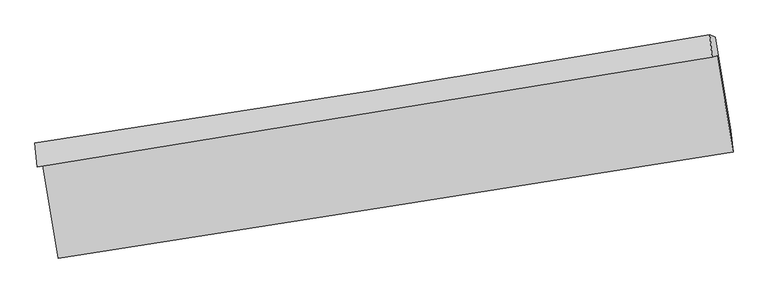
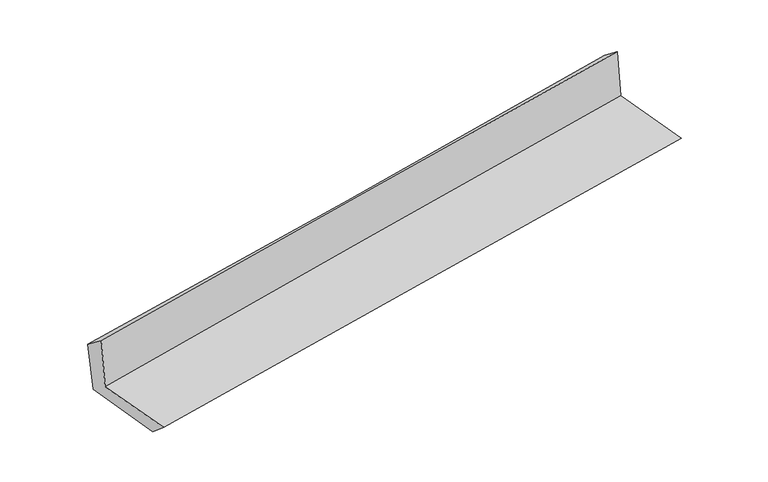
"""IFC4 building model written with IfcOpenShell, lengths in millimetres: proxy geometry."""

from ifc_helpers import new_model, si_unit, frame, origin, place, context, project, spatial, source, transform, mapped, element, save
from ifc_brep_helpers import plane_surface, spline_curve, spline_surface, advanced_brep


def generic_models_537dd5aa(model_context):
    return source(origin(), model_context, "Body", "AdvancedBrep", [
        advanced_brep(
        [(-2370.0911885, -1882.5004164, 1669.2333977), (-2261.0349548, -2527.323251, 1669.1721754), (2431.0419037, -1786.7399768, 2092.6379575), (2319.2297924, -1119.030918, 2099.9502465), (-2405.7219342, -1892.1003941, 2086.3205979), (2284.9930634, -1128.2867989, 2500.6804741), (-2422.897273, -1724.1474958, 1960.6107051), (2269.7549726, -972.6410478, 2381.1300377), (-2385.2673931, -1739.1686647, 1567.7591523), (2306.3996912, -987.794755, 1998.9444324), (-2272.7089664, -2397.0247952, 1553.1655248), (2416.0477665, -1638.6077198, 1984.3651864)],
        [
            (0, 1),
            (1, 2, spline_curve(3, [(-2261.0349548, -2527.323251, 1669.1721754), (-1479.019981205, -2405.229126548, 1742.224747964), (-696.995123493, -2282.465041589, 1814.040804519), (867.030497143, -2035.603875209, 1955.195926399), (1649.031259072, -1911.506868462, 2024.535130727), (2431.0419037, -1786.7399768, 2092.6379575)], [4, 2, 4], [0.0, 7.824650850706572, 15.64886283053934])),
            (2, 3),
            (3, 0, spline_curve(3, [(2319.2297924, -1119.030918, 2099.9502465), (1537.400412334, -1247.273234645, 2033.00371307), (755.719929146, -1375.015081, 1963.63845004), (-807.387081334, -1629.504969945, 1820.066438497), (-1588.813591743, -1756.252956322, 1745.859418408), (-2370.0911885, -1882.5004164, 1669.2333977)], [4, 2, 4], [0.0, 7.824211979832768, 15.64886283053934])),
            (4, 0),
            (3, 5),
            (5, 4, spline_curve(3, [(2284.9930634, -1128.2867989, 2500.6804741), (1503.115135206, -1256.547998354, 2434.329230363), (721.294215504, -1384.327959162, 2366.624624984), (-842.277456724, -1638.932544999, 2228.504818059), (-1624.028203083, -1765.757115703, 2158.089464734), (-2405.7219342, -1892.1003941, 2086.3205979)], [4, 2, 4], [0.0, 7.825476272361385, 15.651391486512491])),
            (6, 4),
            (5, 7),
            (7, 6, spline_curve(3, [(2269.7549726, -972.6410478, 2381.1300377), (1489.294424581, -1106.674409933, 2309.025340151), (708.02078652, -1236.31499511, 2237.930668214), (-856.196537247, -1486.817637213, 2097.757443841), (-1639.140314729, -1607.679201421, 2028.679005134), (-2422.897273, -1724.1474958, 1960.6107051)], [4, 2, 4], [0.0, 7.8258833997751225, 15.652205764176307])),
            (8, 6),
            (7, 9),
            (9, 8, spline_curve(3, [(2306.3996912, -987.794755, 1998.9444324), (1525.56928925, -1121.427280852, 1930.330574936), (744.192811332, -1250.856398082, 1860.092592819), (-819.69615565, -1501.314839802, 1716.364348536), (-1602.208705758, -1622.343692338, 1642.873903942), (-2385.2673931, -1739.1686647, 1567.7591523)], [4, 2, 4], [0.0, 7.826351662084415, 15.653142315060371])),
            (10, 8),
            (9, 11),
            (11, 10, spline_curve(3, [(2416.0477665, -1638.6077198, 1984.3651864), (1634.160658755, -1764.352399862, 1915.950683662), (852.498328683, -1890.424381361, 1845.811183329), (-710.420607396, -2143.23003635, 1702.078156292), (-1491.677188324, -2269.963746777, 1628.484436157), (-2272.7089664, -2397.0247952, 1553.1655248)], [4, 2, 4], [0.0, 7.824800638346363, 15.6500401805852])),
            (1, 10),
            (11, 2),
        ],
        [
            spline_surface(3, 3, [[(-2370.0911885, -1882.5004164, 1669.2333977), (-1588.813591621, -1756.252956423, 1745.85941851), (-807.387081256, -1629.504969948, 1820.066438487), (755.719929068, -1375.015080997, 1963.638450049), (1537.400412363, -1247.273234682, 2033.003713053), (2319.2297924, -1119.030918, 2099.9502465)], [(-2333.739110614, -2097.441361258, 1669.212990267), (-1552.215721483, -1972.578346416, 1744.647861656), (-770.589761988, -1847.158327206, 1818.057893811), (792.823451764, -1595.211345731, 1960.824275515), (1574.610694555, -1468.68444596, 2030.180852269), (2356.500496165, -1341.600604289, 2097.512816851)], [(-2297.387032686, -2312.382306142, 1669.192582833), (-1515.617851303, -2188.903736435, 1743.436304801), (-733.792442747, -2064.811684403, 1816.049349141), (829.926974433, -1815.407610403, 1958.010100988), (1611.820976753, -1690.095657172, 2027.357991434), (2393.771199935, -1564.170290511, 2095.075387149)], [(-2261.0349548, -2527.323251, 1669.1721754), (-1479.019981165, -2405.229126428, 1742.224747948), (-696.995123479, -2282.465041662, 1814.040804465), (867.030497129, -2035.603875136, 1955.195926453), (1649.031258945, -1911.50686845, 2024.535130651), (2431.0419037, -1786.7399768, 2092.6379575)]], [4, 4], [4, 2, 4], [0.0, 2.185376055104607], [0.0, 7.824650850706572, 15.64886283053934]),
            spline_surface(3, 3, [[(-2405.7219342, -1892.1003941, 2086.3205979), (-1624.028202983, -1765.757115685, 2158.089464616), (-842.277456734, -1638.932544953, 2228.504818076), (721.294215515, -1384.327959209, 2366.624624968), (1503.11513516, -1256.547998253, 2434.329230268), (2284.9930634, -1128.2867989, 2500.6804741)], [(-2393.845018956, -1888.90040152, 1947.291531171), (-1612.289999185, -1762.589062584, 2020.679449252), (-830.647331572, -1635.790019925, 2092.358691525), (732.769453369, -1381.223666446, 2232.295899973), (1514.543560905, -1253.456410399, 2300.554057857), (2296.405306411, -1125.20150527, 2367.103731561)], [(-2381.968103744, -1885.70040898, 1808.262464429), (-1600.551795419, -1759.421009524, 1883.269433874), (-819.017206418, -1632.647494975, 1956.212565038), (744.244691214, -1378.11937376, 2097.967175043), (1525.971986617, -1250.364822535, 2166.778885464), (2307.817549389, -1122.11621163, 2233.526989039)], [(-2370.0911885, -1882.5004164, 1669.2333977), (-1588.813591621, -1756.252956423, 1745.85941851), (-807.387081256, -1629.504969948, 1820.066438487), (755.719929068, -1375.015080997, 1963.638450049), (1537.400412363, -1247.273234682, 2033.003713053), (2319.2297924, -1119.030918, 2099.9502465)]], [4, 4], [4, 2, 4], [0.0, 1.3362791143235548], [0.0, 7.825915214151106, 15.651391486512491]),
            spline_surface(3, 3, [[(-2422.897273, -1724.1474958, 1960.6107051), (-1639.140314621, -1607.679201339, 2028.679005077), (-856.196537351, -1486.817637229, 2097.757443932), (708.020786625, -1236.314995094, 2237.930668123), (1489.294424569, -1106.674409859, 2309.025340108), (2269.7549726, -972.6410478, 2381.1300377)], [(-2417.172160082, -1780.131795249, 2002.514002713), (-1634.10294409, -1660.37183947, 2071.815824937), (-851.556843834, -1537.522606481, 2141.339902008), (712.445262899, -1285.652649809, 2280.828653765), (1493.901328077, -1156.632272644, 2350.793303481), (2274.834336178, -1024.522964821, 2420.980183153)], [(-2411.447047118, -1836.116094651, 2044.417300287), (-1629.065573513, -1713.064477554, 2114.952644757), (-846.917150251, -1588.227575701, 2184.92236), (716.86973924, -1334.990304494, 2323.726639325), (1498.508231652, -1206.590135467, 2392.561266895), (2279.913699822, -1076.404881879, 2460.830328647)], [(-2405.7219342, -1892.1003941, 2086.3205979), (-1624.028202983, -1765.757115685, 2158.089464616), (-842.277456734, -1638.932544953, 2228.504818076), (721.294215515, -1384.327959209, 2366.624624968), (1503.11513516, -1256.547998253, 2434.329230268), (2284.9930634, -1128.2867989, 2500.6804741)]], [4, 4], [4, 2, 4], [0.0, 0.6523143404985855], [0.0, 7.826322364401184, 15.652205764176307]),
            spline_surface(3, 3, [[(-2385.2673931, -1739.1686647, 1567.7591523), (-1602.20870576, -1622.343692241, 1642.87390386), (-819.69615558, -1501.314839674, 1716.364348424), (744.192811263, -1250.856398209, 1860.092592931), (1525.569289172, -1121.42728088, 1930.330575045), (2306.3996912, -987.794755, 1998.9444324)], [(-2397.810686377, -1734.161608388, 1698.709669907), (-1614.519242024, -1617.455528595, 1771.475604273), (-831.862949476, -1496.482438869, 1843.495380239), (732.135469745, -1246.009263847, 1986.038617973), (1513.477667648, -1116.509657202, 2056.562163409), (2294.184785011, -982.743519263, 2126.339634176)], [(-2410.353979723, -1729.154552112, 1829.660187493), (-1626.829778357, -1612.567364985, 1900.077304665), (-844.029743456, -1491.650038034, 1970.626412118), (720.078128143, -1241.162129456, 2111.98464308), (1501.386046093, -1111.592033536, 2182.793751744), (2281.969878789, -977.692283537, 2253.734835924)], [(-2422.897273, -1724.1474958, 1960.6107051), (-1639.140314621, -1607.679201339, 2028.679005077), (-856.196537351, -1486.817637229, 2097.757443932), (708.020786625, -1236.314995094, 2237.930668123), (1489.294424569, -1106.674409859, 2309.025340108), (2269.7549726, -972.6410478, 2381.1300377)]], [4, 4], [4, 2, 4], [0.0, 1.252057222471603], [0.0, 7.826790652975957, 15.653142315060371]),
            spline_surface(3, 3, [[(-2272.7089664, -2397.0247952, 1553.1655248), (-1491.677188395, -2269.963746795, 1628.484436122), (-710.420607454, -2143.230036388, 1702.078156316), (852.498328741, -1890.424381323, 1845.811183305), (1634.160658743, -1764.352399896, 1915.950683692), (2416.0477665, -1638.6077198, 1984.3651864)], [(-2310.228441962, -2177.739418375, 1558.030067272), (-1528.521027513, -2054.090395285, 1633.28092534), (-746.845790195, -1929.258304155, 1706.840220355), (816.39648955, -1677.235053624, 1850.571653183), (1597.96353555, -1550.044026881, 1920.743980816), (2379.498408064, -1421.670064856, 1989.224935073)], [(-2347.747917538, -1958.454041525, 1562.894609828), (-1565.364866643, -1838.21704375, 1638.077414642), (-783.27097284, -1715.286571907, 1711.602284385), (780.294650454, -1464.045725908, 1855.332123053), (1561.766412365, -1335.735653895, 1925.537277921), (2342.949049636, -1204.732409944, 1994.084683727)], [(-2385.2673931, -1739.1686647, 1567.7591523), (-1602.20870576, -1622.343692241, 1642.87390386), (-819.69615558, -1501.314839674, 1716.364348424), (744.192811263, -1250.856398209, 1860.092592931), (1525.569289172, -1121.42728088, 1930.330575045), (2306.3996912, -987.794755, 1998.9444324)]], [4, 4], [4, 2, 4], [0.0, 2.1327712437363076], [0.0, 7.825239542238838, 15.6500401805852]),
            spline_surface(3, 3, [[(-2261.0349548, -2527.323251, 1669.1721754), (-1479.019981165, -2405.229126428, 1742.224747948), (-696.995123479, -2282.465041662, 1814.040804465), (867.030497129, -2035.603875136, 1955.195926453), (1649.031258945, -1911.50686845, 2024.535130651), (2431.0419037, -1786.7399768, 2092.6379575)], [(-2264.926292009, -2483.89043241, 1630.503291869), (-1483.239050251, -2360.14066656, 1704.311310675), (-701.47028479, -2236.053373217, 1776.719921763), (862.186441014, -1987.210710512, 1918.734345418), (1644.074392215, -1862.455378933, 1988.340314984), (2426.043857971, -1737.362557801, 2056.547033786)], [(-2268.817629191, -2440.45761379, 1591.834408331), (-1487.45811931, -2315.052206663, 1666.397873395), (-705.945446143, -2189.641704832, 1739.399039018), (857.342384856, -1938.817545947, 1882.27276434), (1639.117525472, -1813.403889414, 1952.145499359), (2421.045812229, -1687.985138799, 2020.456110114)], [(-2272.7089664, -2397.0247952, 1553.1655248), (-1491.677188395, -2269.963746795, 1628.484436122), (-710.420607454, -2143.230036388, 1702.078156316), (852.498328741, -1890.424381323, 1845.811183305), (1634.160658743, -1764.352399896, 1915.950683692), (2416.0477665, -1638.6077198, 1984.3651864)]], [4, 4], [4, 2, 4], [0.0, 0.5929789702960138], [0.0, 7.823569939179857, 15.646701068112332]),
            plane_surface(frame((2337.9111983, -1272.1835361, 2176.2847224), z_axis=(0.9826206752323624, 0.16358530370216534, 0.0877294535407959), x_axis=(-0.09537001747571704, 0.039438406899794914, 0.9946603298754243))),
            plane_surface(frame((-2352.9536183, -2027.0441695, 1751.0435922), z_axis=(-0.9821975435537447, -0.16610670099473435, -0.0877299796058111), x_axis=(-0.16675776735439413, 0.9859978895835525, 9.361494822413605e-05))),
        ],
        [
            (0, [[1, 2, 3, 4]]),
            (1, [[5, -4, 6, 7]]),
            (2, [[8, -7, 9, 10]]),
            (3, [[11, -10, 12, 13]]),
            (4, [[14, -13, 15, 16]]),
            (5, [[17, -16, 18, -2]]),
            (6, [[-12, -9, -6, -3, -18, -15]]),
            (7, [[-1, -5, -8, -11, -14, -17]]),
        ],
    ),
    ])


if __name__ == "__main__":
    model = new_model("IFC4")
    model_context = context("Model", 3, world=origin())
    ifc_project = project(units=[si_unit("LENGTHUNIT", "METRE", prefix="MILLI")], contexts=[model_context])
    site = spatial("IfcSite", under=ifc_project)
    building = spatial("IfcBuilding", under=site)
    placement = place(None, origin())
    generic_models_shape = generic_models_537dd5aa(model_context)
    element("IfcBuildingElementProxy", 1, Name="Generic Models", at=placement, inside=building, context=model_context, shape_type="MappedRepresentation", body=[
        mapped(generic_models_shape, transform((0.0, 0.0, 0.0), x_axis=(1.0, 0.0, 0.0), y_axis=(0.0, 1.0, 0.0), z_axis=(0.0, 0.0, 1.0))),
    ])
    save(model, "model.ifc")
